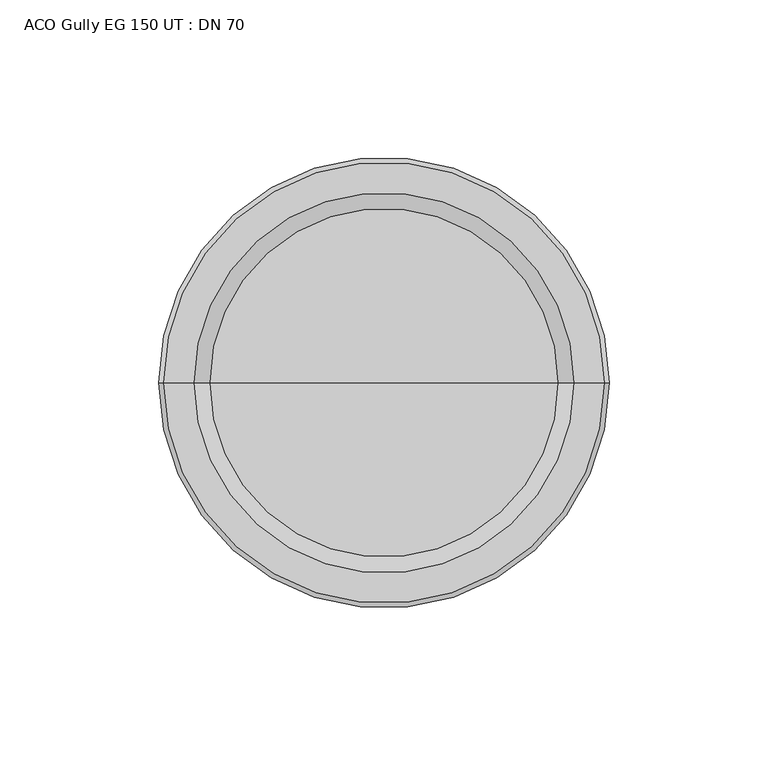
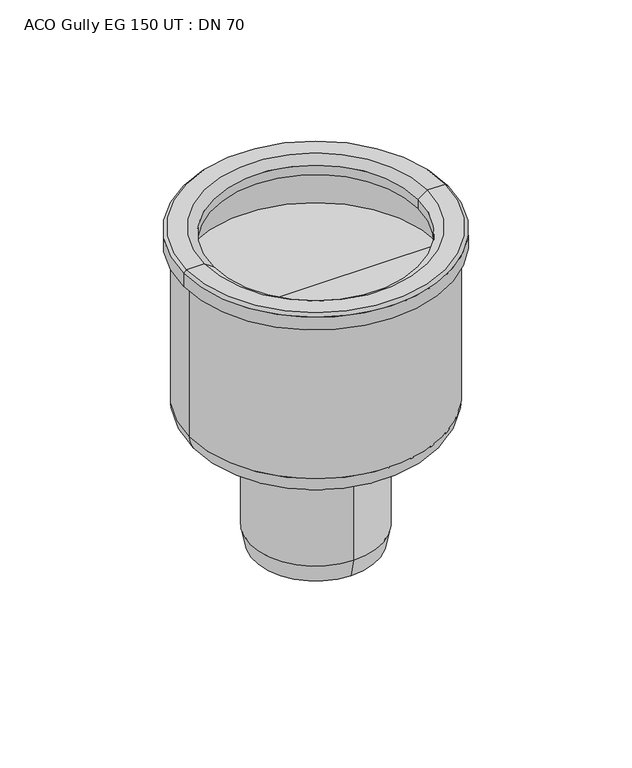
"""IFC4 building model written with IfcOpenShell, lengths in millimetres: flow terminal geometry, ACO Gully EG 150 UT : DN 70."""

from ifc_helpers import new_model, si_unit, point, frame, origin, place, context, project, spatial, polyline, circle_curve, ellipse_curve, trimmed, source, transform, mapped, element, save
from ifc_brep_helpers import plane_surface, cylinder_surface, revolved_surface, advanced_brep


def aco_gully_eg_150_ut_dn_70_d000cbbf(model_context):
    return source(origin(), model_context, "Body", "AdvancedBrep", [
        advanced_brep(
        [(-68.0, 0.0, -195.3489424), (68.0, 0.0, -195.3489424), (55.8489424, 0.0, -207.5), (-55.8489424, 0.0, -207.5), (-68.0, 0.0, -108.7851751), (68.0, 0.0, -108.7851751), (0.0, 0.0, -207.5), (-66.5, 0.0, -132.7134268), (66.5, 0.0, -132.7134268), (66.5, 0.0, -108.7851751), (-66.5, 0.0, -108.7851751), (0.0, 0.0, -132.7134268), (-71.0767781, 0.0, -108.7851751), (71.0767781, 0.0, -108.7851751), (-71.0767781, 0.0, -101.5), (71.0767781, 0.0, -101.5), (-69.5767781, 0.0, -100.0), (69.5767781, 0.0, -100.0), (-60.0, 0.0, -100.0), (60.0, 0.0, -100.0), (-55.0, 0.0, -103.4364048), (55.0, 0.0, -103.4364048), (-55.0, 0.0, -108.7851751), (55.0, 0.0, -108.7851751)],
        [
            (0, 1, circle_curve(frame((0.0, 0.0, -195.3489424), z_axis=(0.0, 0.0, -1.0), x_axis=(1.0, 0.0, 0.0)), 68.0)),
            (1, 2, circle_curve(frame((55.8489424, 0.0, -195.3489424), z_axis=(0.0, 1.0, 0.0), x_axis=(1.0, 0.0, 0.0)), 12.1510576)),
            (2, 3, circle_curve(frame((0.0, 0.0, -207.5), z_axis=(0.0, 0.0, 1.0), x_axis=(1.0, 0.0, 0.0)), 55.8489424)),
            (3, 0, circle_curve(frame((-55.8489424, 0.0, -195.3489424), z_axis=(0.0, 1.0, 0.0), x_axis=(-1.0, 0.0, 0.0)), 12.1510576)),
            (1, 0, circle_curve(frame((0.0, 0.0, -195.3489424), z_axis=(0.0, 0.0, -1.0), x_axis=(1.0, 0.0, 0.0)), 68.0)),
            (3, 2, circle_curve(frame((0.0, 0.0, -207.5), z_axis=(0.0, 0.0, 1.0), x_axis=(1.0, 0.0, 0.0)), 55.8489424)),
            (4, 5, circle_curve(frame((0.0, 0.0, -108.7851751), z_axis=(0.0, 0.0, -1.0), x_axis=(1.0, 0.0, 0.0)), 68.0)),
            (5, 1),
            (0, 4),
            (5, 4, circle_curve(frame((0.0, 0.0, -108.7851751), z_axis=(0.0, 0.0, -1.0), x_axis=(1.0, 0.0, 0.0)), 68.0)),
            (2, 6),
            (6, 3),
            (7, 8, circle_curve(frame((0.0, 0.0, -132.7134268), z_axis=(0.0, 0.0, -1.0), x_axis=(1.0, 0.0, 0.0)), 66.5)),
            (8, 9),
            (9, 10, circle_curve(frame((0.0, 0.0, -108.7851751), z_axis=(0.0, 0.0, 1.0), x_axis=(1.0, 0.0, 0.0)), 66.5)),
            (10, 7),
            (8, 7, circle_curve(frame((0.0, 0.0, -132.7134268), z_axis=(0.0, 0.0, -1.0), x_axis=(1.0, 0.0, 0.0)), 66.5)),
            (10, 9, circle_curve(frame((0.0, 0.0, -108.7851751), z_axis=(0.0, 0.0, 1.0), x_axis=(1.0, 0.0, 0.0)), 66.5)),
            (11, 8),
            (7, 11),
            (12, 13, circle_curve(frame((0.0, 0.0, -108.7851751), z_axis=(0.0, 0.0, -1.0), x_axis=(1.0, 0.0, 0.0)), 71.0767781)),
            (13, 5),
            (4, 12),
            (13, 12, circle_curve(frame((0.0, 0.0, -108.7851751), z_axis=(0.0, 0.0, -1.0), x_axis=(1.0, 0.0, 0.0)), 71.0767781)),
            (14, 15, circle_curve(frame((0.0, 0.0, -101.5), z_axis=(0.0, 0.0, -1.0), x_axis=(1.0, 0.0, 0.0)), 71.0767781)),
            (15, 13),
            (12, 14),
            (15, 14, circle_curve(frame((0.0, 0.0, -101.5), z_axis=(0.0, 0.0, -1.0), x_axis=(1.0, 0.0, 0.0)), 71.0767781)),
            (16, 17, circle_curve(frame((0.0, 0.0, -100.0), z_axis=(0.0, 0.0, -1.0), x_axis=(1.0, 0.0, 0.0)), 69.5767781)),
            (17, 15),
            (14, 16),
            (17, 16, circle_curve(frame((0.0, 0.0, -100.0), z_axis=(0.0, 0.0, -1.0), x_axis=(1.0, 0.0, 0.0)), 69.5767781)),
            (18, 19, circle_curve(frame((0.0, 0.0, -100.0), z_axis=(0.0, 0.0, -1.0), x_axis=(1.0, 0.0, 0.0)), 60.0)),
            (19, 17),
            (16, 18),
            (19, 18, circle_curve(frame((0.0, 0.0, -100.0), z_axis=(0.0, 0.0, -1.0), x_axis=(1.0, 0.0, 0.0)), 60.0)),
            (20, 21, circle_curve(frame((0.0, 0.0, -103.4364048), z_axis=(0.0, 0.0, -1.0), x_axis=(1.0, 0.0, 0.0)), 55.0)),
            (21, 19),
            (18, 20),
            (21, 20, circle_curve(frame((0.0, 0.0, -103.4364048), z_axis=(0.0, 0.0, -1.0), x_axis=(1.0, 0.0, 0.0)), 55.0)),
            (22, 23, circle_curve(frame((0.0, 0.0, -108.7851751), z_axis=(0.0, 0.0, -1.0), x_axis=(1.0, 0.0, 0.0)), 55.0)),
            (23, 21),
            (20, 22),
            (23, 22, circle_curve(frame((0.0, 0.0, -108.7851751), z_axis=(0.0, 0.0, -1.0), x_axis=(1.0, 0.0, 0.0)), 55.0)),
            (9, 23),
            (22, 10),
        ],
        [
            revolved_surface(trimmed(ellipse_curve(frame((55.8489424, 0.0, -195.3489424), z_axis=(0.0, -1.0, 0.0), x_axis=(1.0, 0.0, 0.0)), 12.1510576, 12.1510576), [point((55.8489424, 0.0, -207.5))], [point((68.0, 0.0, -195.3489424))], True, "CARTESIAN"), (0.0, 0.0, -101.7134268), (0.0, 0.0, 1.0)),
            cylinder_surface(frame((0.0, 0.0, -101.7134268), z_axis=(0.0, 0.0, 1.0), x_axis=(1.0, 0.0, 0.0)), 68.0),
            plane_surface(frame((0.0, 0.0, -207.5), z_axis=(0.0, 0.0, -1.0), x_axis=(1.0, 0.0, 0.0))),
            revolved_surface(polyline([(66.5, 0.0, -108.7851751), (66.5, 0.0, -132.7134268)]), (0.0, 0.0, -101.7134268), (0.0, 0.0, 1.0)),
            plane_surface(frame((0.0, 0.0, -132.7134268), z_axis=(0.0, 0.0, 1.0), x_axis=(1.0, 0.0, 0.0))),
            plane_surface(frame((0.0, 0.0, -108.7851751), z_axis=(0.0, 0.0, -1.0), x_axis=(1.0, 0.0, 0.0))),
            cylinder_surface(frame((0.0, 0.0, -101.7134268), z_axis=(0.0, 0.0, 1.0), x_axis=(1.0, 0.0, 0.0)), 71.0767781),
            revolved_surface(polyline([(71.0767781, 0.0, -101.5), (69.5767781, 0.0, -100.0)]), (0.0, 0.0, -101.7134268), (0.0, 0.0, 1.0)),
            plane_surface(frame((0.0, 0.0, -100.0), z_axis=(0.0, 0.0, 1.0), x_axis=(1.0, 0.0, 0.0))),
            revolved_surface(polyline([(60.0, 0.0, -100.0), (55.0, 0.0, -103.4364048)]), (0.0, 0.0, -101.7134268), (0.0, 0.0, 1.0)),
            revolved_surface(polyline([(55.0, 0.0, -103.4364048), (55.0, 0.0, -108.7851751)]), (0.0, 0.0, -101.7134268), (0.0, 0.0, 1.0)),
        ],
        [
            (0, [[1, 2, 3, 4]]),
            (0, [[5, -4, 6, -2]]),
            (1, [[7, 8, -1, 9]]),
            (1, [[10, -9, -5, -8]]),
            (2, [[-3, 11, 12]]),
            (2, [[-6, -12, -11]]),
            (3, [[13, 14, 15, 16]]),
            (3, [[17, -16, 18, -14]]),
            (4, [[19, -13, 20]]),
            (4, [[-20, -17, -19]]),
            (5, [[21, 22, -7, 23]]),
            (5, [[24, -23, -10, -22]]),
            (6, [[25, 26, -21, 27]]),
            (6, [[28, -27, -24, -26]]),
            (7, [[29, 30, -25, 31]]),
            (7, [[32, -31, -28, -30]]),
            (8, [[33, 34, -29, 35]]),
            (8, [[36, -35, -32, -34]]),
            (9, [[37, 38, -33, 39]]),
            (9, [[40, -39, -36, -38]]),
            (10, [[41, 42, -37, 43]]),
            (10, [[44, -43, -40, -42]]),
            (5, [[-15, 45, -41, 46]]),
            (5, [[-18, -46, -44, -45]]),
        ],
    ),
        advanced_brep(
        [(0.0, -32.8503347, -278.0374565), (0.0, 32.8503347, -278.0374565), (0.0, 31.7901902, -278.0374565), (0.0, -31.7901902, -278.0374565), (0.0, -35.0, -178.0374565), (0.0, 35.0, -178.0374565), (0.0, 35.0, -267.9753217), (0.0, -35.0, -267.9753217), (0.0, 0.0, -144.0374565), (0.0, 30.0, -144.0374565), (0.0, -30.0, -144.0374565), (0.0, -19.0, -163.0199679), (0.0, 19.0, -163.0199679), (0.0, -31.7901902, -219.0374565), (0.0, 31.7901902, -219.0374565), (0.0, 0.0, -219.0374565)],
        [
            (0, 1, circle_curve(frame((0.0, 0.0, -278.0374565), z_axis=(0.0, 0.0, -1.0), x_axis=(0.0, 1.0, 0.0)), 32.8503347)),
            (1, 2),
            (2, 3, circle_curve(frame((0.0, 0.0, -278.0374565), z_axis=(0.0, 0.0, 1.0), x_axis=(0.0, 1.0, 0.0)), 31.7901902)),
            (3, 0),
            (1, 0, circle_curve(frame((0.0, 0.0, -278.0374565), z_axis=(0.0, 0.0, -1.0), x_axis=(0.0, 1.0, 0.0)), 32.8503347)),
            (3, 2, circle_curve(frame((0.0, 0.0, -278.0374565), z_axis=(0.0, 0.0, 1.0), x_axis=(0.0, 1.0, 0.0)), 31.7901902)),
            (4, 5, circle_curve(frame((0.0, 0.0, -178.0374565), z_axis=(0.0, 0.0, -1.0), x_axis=(0.0, 1.0, 0.0)), 35.0)),
            (5, 6),
            (6, 7, circle_curve(frame((0.0, 0.0, -267.9753217), z_axis=(0.0, 0.0, 1.0), x_axis=(0.0, 1.0, 0.0)), 35.0)),
            (7, 4),
            (5, 4, circle_curve(frame((0.0, 0.0, -178.0374565), z_axis=(0.0, 0.0, -1.0), x_axis=(0.0, 1.0, 0.0)), 35.0)),
            (7, 6, circle_curve(frame((0.0, 0.0, -267.9753217), z_axis=(0.0, 0.0, 1.0), x_axis=(0.0, 1.0, 0.0)), 35.0)),
            (8, 9),
            (9, 10, circle_curve(frame((0.0, 0.0, -144.0374565), z_axis=(0.0, 0.0, 1.0), x_axis=(0.0, 1.0, 0.0)), 30.0)),
            (10, 8),
            (10, 9, circle_curve(frame((0.0, 0.0, -144.0374565), z_axis=(0.0, 0.0, 1.0), x_axis=(0.0, 1.0, 0.0)), 30.0)),
            (11, 12, circle_curve(frame((0.0, 0.0, -163.0199679), z_axis=(0.0, 0.0, -1.0), x_axis=(0.0, 1.0, 0.0)), 19.0)),
            (12, 5),
            (4, 11),
            (12, 11, circle_curve(frame((0.0, 0.0, -163.0199679), z_axis=(0.0, 0.0, -1.0), x_axis=(0.0, 1.0, 0.0)), 19.0)),
            (6, 1),
            (0, 7),
            (13, 14, circle_curve(frame((0.0, 0.0, -219.0374565), z_axis=(0.0, 0.0, -1.0), x_axis=(0.0, 1.0, 0.0)), 31.7901902)),
            (14, 15),
            (15, 13),
            (14, 13, circle_curve(frame((0.0, 0.0, -219.0374565), z_axis=(0.0, 0.0, -1.0), x_axis=(0.0, 1.0, 0.0)), 31.7901902)),
            (2, 14),
            (13, 3),
            (9, 12),
            (11, 10),
        ],
        [
            plane_surface(frame((0.0, 0.0, -278.0374565), z_axis=(0.0, 0.0, -1.0), x_axis=(0.0, 1.0, 0.0))),
            cylinder_surface(frame((0.0, 0.0, -144.0), z_axis=(0.0, 0.0, 1.0), x_axis=(0.0, 1.0, 0.0)), 35.0),
            plane_surface(frame((0.0, 0.0, -144.0374565), z_axis=(0.0, 0.0, 1.0), x_axis=(0.0, 1.0, 0.0))),
            revolved_surface(polyline([(0.0, 35.0, -178.0374565), (0.0, 19.0, -163.0199679)]), (0.0, 0.0, -144.0), (0.0, 0.0, 1.0)),
            revolved_surface(polyline([(0.0, 32.8503347, -278.0374565), (0.0, 35.0, -267.9753217)]), (0.0, 0.0, -144.0), (0.0, 0.0, 1.0)),
            plane_surface(frame((0.0, 0.0, -219.0374565), z_axis=(0.0, 0.0, -1.0), x_axis=(0.0, 1.0, 0.0))),
            revolved_surface(polyline([(0.0, 31.7901902, -219.0374565), (0.0, 31.7901902, -278.0374565)]), (0.0, 0.0, -144.0), (0.0, 0.0, 1.0)),
            revolved_surface(polyline([(0.0, 19.0, -163.0199679), (0.0, 30.0, -144.0374565)]), (0.0, 0.0, -144.0), (0.0, 0.0, 1.0)),
        ],
        [
            (0, [[1, 2, 3, 4]]),
            (0, [[5, -4, 6, -2]]),
            (1, [[7, 8, 9, 10]]),
            (1, [[11, -10, 12, -8]]),
            (2, [[13, 14, 15]]),
            (2, [[-15, 16, -13]]),
            (3, [[17, 18, -7, 19]]),
            (3, [[20, -19, -11, -18]]),
            (4, [[-9, 21, -1, 22]]),
            (4, [[-12, -22, -5, -21]]),
            (5, [[23, 24, 25]]),
            (5, [[26, -25, -24]]),
            (6, [[-3, 27, -23, 28]]),
            (6, [[-6, -28, -26, -27]]),
            (7, [[-14, 29, -17, 30]]),
            (7, [[-16, -30, -20, -29]]),
        ],
    ),
    ])


if __name__ == "__main__":
    model = new_model("IFC4")
    model_context = context("Model", 3, world=origin())
    ifc_project = project(units=[si_unit("LENGTHUNIT", "METRE", prefix="MILLI")], contexts=[model_context])
    site = spatial("IfcSite", under=ifc_project)
    building = spatial("IfcBuilding", under=site)
    placement = place(None, origin())
    aco_gully_eg_150_ut_dn_70_shape = aco_gully_eg_150_ut_dn_70_d000cbbf(model_context)
    element("IfcFlowTerminal", 1, ObjectType="ACO Gully EG 150 UT : DN 70", at=placement, inside=building, context=model_context, shape_type="MappedRepresentation", body=[
        mapped(aco_gully_eg_150_ut_dn_70_shape, transform((0.0, 0.0, 0.0), x_axis=(1.0, 0.0, 0.0), y_axis=(0.0, 1.0, 0.0), z_axis=(0.0, 0.0, 1.0))),
    ])
    save(model, "model.ifc")
